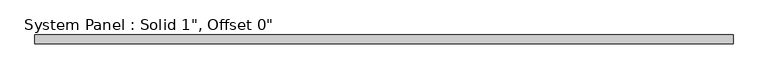
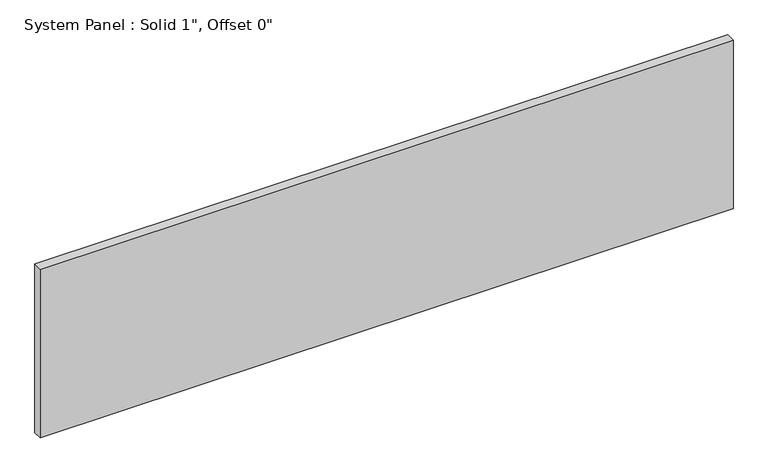
"""IFC4 building model written with IfcOpenShell, lengths in millimetres: plate geometry."""

from ifc_helpers import new_model, si_unit, origin, origin_with_axes, place, context, project, spatial, polyline, outline, extrude, source, transform, mapped, element, save


def plate_2a336a92(model_context):
    return source(origin(), model_context, "Body", "SweptSolid", [
        extrude(outline(polyline([(981.075, -12.7), (-981.075, -12.7), (-981.075, 12.7), (981.075, 12.7), (981.075, -12.7)])), origin_with_axes(), (0.0, 0.0, 1.0), 504.7532067),
    ])


if __name__ == "__main__":
    model = new_model("IFC4")
    model_context = context("Model", 3, world=origin())
    ifc_project = project(units=[si_unit("LENGTHUNIT", "METRE", prefix="MILLI")], contexts=[model_context])
    site = spatial("IfcSite", under=ifc_project)
    building = spatial("IfcBuilding", under=site)
    placement = place(None, origin())
    plate_shape = plate_2a336a92(model_context)
    element("IfcPlate", 1, ObjectType="System Panel : Solid 1\", Offset 0\"", at=placement, inside=building, context=model_context, shape_type="MappedRepresentation", body=[
        mapped(plate_shape, transform((0.0, 0.0, 0.0), x_axis=(1.0, 0.0, 0.0), y_axis=(0.0, 1.0, 0.0), z_axis=(0.0, 0.0, 1.0))),
    ])
    save(model, "model.ifc")
